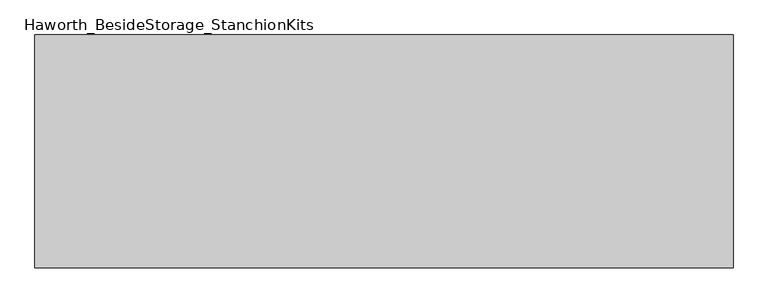
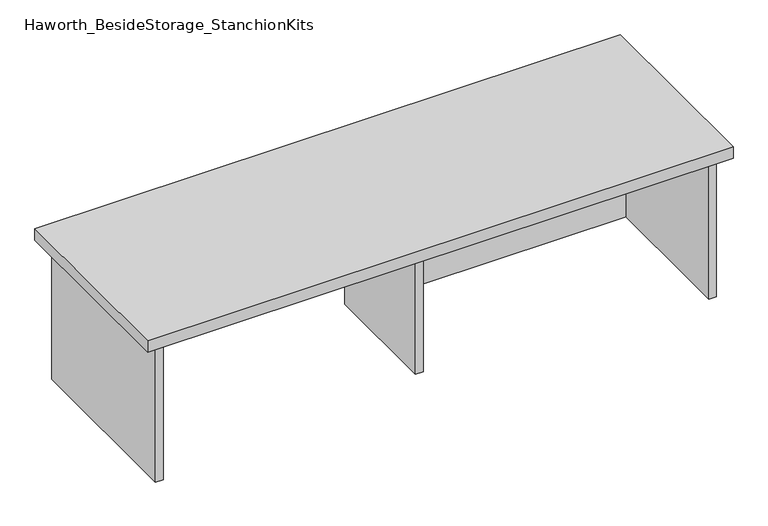
"""IFC4 building model written with IfcOpenShell, lengths in millimetres: furniture geometry, Haworth_BesideStorage_StanchionKits."""

import ifcopenshell
import ifcopenshell.guid

model = None  # the IFC model being written
_history = None  # IfcOwnerHistory: only IFC2X3 demands one
_inside = {}  # id of a spatial element -> (the spatial element, [elements in it])
_under = {}  # id of a project, library or spatial element -> (it, [spatial elements below it])
_declared = {}  # id of a project -> (the project, [libraries it declares])
_typed = {}  # id of a type object -> (the type object, [elements of that type])
_made_of = {}  # id of a material, layer set ... -> (it, [elements and type objects made of it])


def new_model(schema):
    """Start an empty IFC model of exactly this schema.

    Asked for "IFC4X3", IfcOpenShell would pick the latest addendum, in which some entities
    have other attributes; the version numbers below select the first issue.
    IFC2X3 requires an IfcOwnerHistory on every rooted entity: one is made here for all.
    """
    global model, _history
    if schema == "IFC4X3":
        model = ifcopenshell.file(schema_version=(4, 3, 0, 0))
    else:
        model = ifcopenshell.file(schema=schema)
    _inside.clear()
    _under.clear()
    _declared.clear()
    _typed.clear()
    _made_of.clear()
    _history = None
    if model.schema == "IFC2X3":
        org = make("IfcOrganization", Name="unknown")
        user = make(
            "IfcPersonAndOrganization",
            ThePerson=make("IfcPerson", FamilyName="unknown"),
            TheOrganization=org,
        )
        app = make(
            "IfcApplication",
            ApplicationDeveloper=org,
            Version="unknown",
            ApplicationFullName="unknown",
            ApplicationIdentifier="unknown",
        )
        _history = make(
            "IfcOwnerHistory",
            OwningUser=user,
            OwningApplication=app,
            ChangeAction="ADDED",
            CreationDate=0,
        )
    return model


def make(cls, **values):
    """One entity of the class cls with the attributes given. An attribute that is None is left unset."""
    return model.create_entity(
        cls, **{name: value for name, value in values.items() if value is not None}
    )


def rooted(cls, **values):
    """An entity with a GlobalId (a new one), such as an element, a storey or a relation."""
    return make(cls, GlobalId=ifcopenshell.guid.new(), OwnerHistory=_history, **values)


def si_unit(unit_type, name, prefix=None):
    """IfcSIUnit, for example si_unit("LENGTHUNIT", "METRE", prefix="MILLI")."""
    return make("IfcSIUnit", UnitType=unit_type, Prefix=prefix, Name=name)


def assignment(units):
    """IfcUnitAssignment: the units of a project."""
    return None if units is None else make("IfcUnitAssignment", Units=units)


def point(xyz):
    """IfcCartesianPoint."""
    return None if xyz is None else make("IfcCartesianPoint", Coordinates=xyz)


def direction(xyz):
    """IfcDirection."""
    return None if xyz is None else make("IfcDirection", DirectionRatios=xyz)


def frame(location, z_axis=None, x_axis=None):
    """IfcAxis2Placement3D, a coordinate frame: its origin and axes. An axis left out is left unset."""
    return make(
        "IfcAxis2Placement3D",
        Location=point(location),
        Axis=direction(z_axis),
        RefDirection=direction(x_axis),
    )


def origin():
    """The frame at (0, 0, 0) with its axes left unset."""
    return frame((0.0, 0.0, 0.0))


def place(relative_to, where):
    """IfcLocalPlacement: puts the frame where relative to a parent placement (None: the world)."""
    return make(
        "IfcLocalPlacement", PlacementRelTo=relative_to, RelativePlacement=where
    )


def context(
    kind, dimensions, precision=None, world=None, true_north=None, identifier=None
):
    """IfcGeometricRepresentationContext, for example the 3D "Model" context."""
    return make(
        "IfcGeometricRepresentationContext",
        ContextIdentifier=identifier,
        ContextType=kind,
        CoordinateSpaceDimension=dimensions,
        Precision=precision,
        WorldCoordinateSystem=world,
        TrueNorth=true_north,
    )


def project(units=None, contexts=None):
    """IfcProject with its units and contexts."""
    return rooted(
        "IfcProject",
        Name="project",
        RepresentationContexts=contexts,
        UnitsInContext=assignment(units),
    )


def spatial(cls, under=None, at=None, **own):
    """A site, building, storey or space (cls), placed at a placement, below another one or the project."""
    s = rooted(cls, ObjectPlacement=at, **own)
    if under is not None:
        _under.setdefault(under.id(), (under, []))[1].append(s)
    return s


def polyline(points):
    """IfcPolyline through the points."""
    return make("IfcPolyline", Points=[point(p) for p in points])


def outline(outer, holes=None, kind="AREA"):
    """IfcArbitraryClosedProfileDef: a profile drawn as a closed curve; with holes, ...WithVoids."""
    if holes is None:
        return make("IfcArbitraryClosedProfileDef", ProfileType=kind, OuterCurve=outer)
    return make(
        "IfcArbitraryProfileDefWithVoids",
        ProfileType=kind,
        OuterCurve=outer,
        InnerCurves=holes,
    )


def extrude(swept, where, along, depth):
    """IfcExtrudedAreaSolid: the profile swept, set in the frame where, extruded along a direction by depth."""
    return make(
        "IfcExtrudedAreaSolid",
        SweptArea=swept,
        Position=where,
        ExtrudedDirection=direction(along),
        Depth=depth,
    )


def shape(context_of_items, identifier, shape_type, items):
    """IfcShapeRepresentation: the items that make up one representation, for example the "Body"."""
    return make(
        "IfcShapeRepresentation",
        ContextOfItems=context_of_items,
        RepresentationIdentifier=identifier,
        RepresentationType=shape_type,
        Items=items,
    )


def source(mapping_origin, context_of_items, identifier, shape_type, items):
    """IfcRepresentationMap: a shape defined once, which mapped items show again and again."""
    return make(
        "IfcRepresentationMap",
        MappingOrigin=mapping_origin,
        MappedRepresentation=shape(context_of_items, identifier, shape_type, items),
    )


def transform(
    local_origin,
    x_axis=None,
    y_axis=None,
    z_axis=None,
    scale=None,
    scale2=None,
    scale3=None,
    uniform=True,
):
    """IfcCartesianTransformationOperator3D, or its non-uniform kind. x_axis, y_axis, z_axis: its Axis1, 2, 3."""
    if uniform:
        return make(
            "IfcCartesianTransformationOperator3D",
            Axis1=direction(x_axis),
            Axis2=direction(y_axis),
            LocalOrigin=point(local_origin),
            Scale=scale,
            Axis3=direction(z_axis),
        )
    return make(
        "IfcCartesianTransformationOperator3DnonUniform",
        Axis1=direction(x_axis),
        Axis2=direction(y_axis),
        LocalOrigin=point(local_origin),
        Scale=scale,
        Axis3=direction(z_axis),
        Scale2=scale2,
        Scale3=scale3,
    )


def mapped(mapping_source, mapping_target):
    """IfcMappedItem: shows the shape of a source again, moved by a transform."""
    return make(
        "IfcMappedItem", MappingSource=mapping_source, MappingTarget=mapping_target
    )


def made_of(thing, what):
    """Note that an element or type object is made of a material, layer set ...; save() writes the relation."""
    if what is not None:
        _made_of.setdefault(what.id(), (what, []))[1].append(thing)
    return thing


def element(
    cls,
    number,
    at=None,
    inside=None,
    cuts=None,
    type_object=None,
    material=None,
    context=None,
    identifier="Body",
    shape_type=None,
    held_by="IfcProductDefinitionShape",
    body=None,
    shapes=None,
    **own,
):
    """One element of the class cls, such as IfcWall. Its Tag is "e" and its number.

    at: its placement. inside: the storey or other place that contains it. cuts: it is an
    opening in that element (IfcRelVoidsElement). A single representation is given by context,
    identifier, shape_type and body (its items); several are given by shapes. held_by: the class
    of the entity that holds the representations. save() writes the other relations.
    """
    e = rooted(cls, Tag="e%d" % number, ObjectPlacement=at, **own)
    if body is not None:
        shapes = [shape(context, identifier, shape_type, body)]
    if shapes is not None:
        e.Representation = make(held_by, Representations=shapes)
    if inside is not None:
        _inside.setdefault(inside.id(), (inside, []))[1].append(e)
    if cuts is not None:
        rooted(
            "IfcRelVoidsElement", RelatingBuildingElement=cuts, RelatedOpeningElement=e
        )
    if type_object is not None:
        _typed.setdefault(type_object.id(), (type_object, []))[1].append(e)
    return made_of(e, material)


def aggregate(whole, parts):
    """IfcRelAggregates: a whole, such as a stair, and the parts it consists of."""
    return rooted("IfcRelAggregates", RelatingObject=whole, RelatedObjects=parts)


def save(model, path):
    """Write the relations noted so far, then the file.

    IfcRelAggregates (storeys below a building ...), IfcRelContainedInSpatialStructure (elements
    in a storey), IfcRelDefinesByType, IfcRelAssociatesMaterial and IfcRelDeclares: one each for
    every whole, place, type object, material and project.
    """
    for whole, parts in _under.values():
        aggregate(whole, parts)
    for where, things in _inside.values():
        rooted(
            "IfcRelContainedInSpatialStructure",
            RelatedElements=things,
            RelatingStructure=where,
        )
    for kind, things in _typed.values():
        rooted("IfcRelDefinesByType", RelatedObjects=things, RelatingType=kind)
    for what, things in _made_of.values():
        rooted("IfcRelAssociatesMaterial", RelatedObjects=things, RelatingMaterial=what)
    for by, libraries in _declared.values():
        rooted("IfcRelDeclares", RelatingContext=by, RelatedDefinitions=libraries)
    model.write(path)


def haworth_besidestorage_stanchionkits_9fbf6860(model_context):
    return source(origin(), model_context, "Body", "SweptSolid", [
        extrude(outline(polyline([(771.525, 0.0), (771.525, -406.4), (-447.675, -406.4), (-447.675, 0.0), (771.525, 0.0)])), frame((0.0, 0.0, 736.6), z_axis=(0.0, 0.0, 1.0), x_axis=(1.0, 0.0, 0.0)), (0.0, 0.0, 1.0), 25.4),
        extrude(outline(polyline([(169.8625, -76.2), (730.25, -76.2), (730.25, -92.075), (169.8625, -92.075), (169.8625, -76.2)])), frame((0.0, 0.0, 431.8), z_axis=(0.0, 0.0, 1.0), x_axis=(1.0, 0.0, 0.0)), (0.0, 0.0, 1.0), 304.8),
        extrude(outline(polyline([(169.8625, -330.2), (153.9875, -330.2), (153.9875, -76.2), (169.8625, -76.2), (169.8625, -330.2)])), frame((0.0, 0.0, 431.8), z_axis=(0.0, 0.0, 1.0), x_axis=(1.0, 0.0, 0.0)), (0.0, 0.0, 1.0), 304.8),
        extrude(outline(polyline([(746.125, -390.525), (730.25, -390.525), (730.25, -15.875), (746.125, -15.875), (746.125, -390.525)])), frame((0.0, 0.0, 431.8), z_axis=(0.0, 0.0, 1.0), x_axis=(1.0, 0.0, 0.0)), (0.0, 0.0, 1.0), 304.8),
        extrude(outline(polyline([(-406.4, -390.525), (-422.275, -390.525), (-422.275, -15.875), (-406.4, -15.875), (-406.4, -390.525)])), frame((0.0, 0.0, 431.8), z_axis=(0.0, 0.0, 1.0), x_axis=(1.0, 0.0, 0.0)), (0.0, 0.0, 1.0), 304.8),
    ])


if __name__ == "__main__":
    model = new_model("IFC4")
    model_context = context("Model", 3, world=origin())
    ifc_project = project(units=[si_unit("LENGTHUNIT", "METRE", prefix="MILLI")], contexts=[model_context])
    site = spatial("IfcSite", under=ifc_project)
    building = spatial("IfcBuilding", under=site)
    placement = place(None, origin())
    haworth_besidestorage_stanchionkits_shape = haworth_besidestorage_stanchionkits_9fbf6860(model_context)
    element("IfcFurniture", 1, ObjectType="Haworth_BesideStorage_StanchionKits", at=placement, inside=building, context=model_context, shape_type="MappedRepresentation", body=[
        mapped(haworth_besidestorage_stanchionkits_shape, transform((0.0, 0.0, 0.0), x_axis=(1.0, 0.0, 0.0), y_axis=(0.0, 1.0, 0.0), z_axis=(0.0, 0.0, 1.0))),
    ])
    save(model, "model.ifc")
